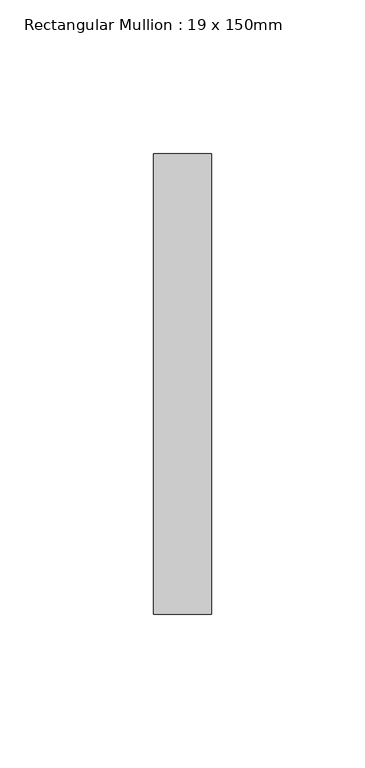
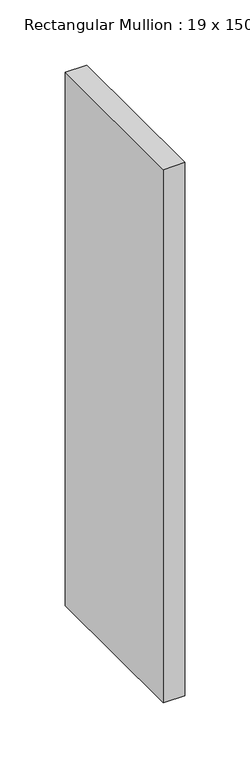
"""IFC4 building model written with IfcOpenShell, lengths in millimetres: member geometry, Rectangular Mullion : 19 x 150mm."""

from ifc_helpers import new_model, si_unit, frame, origin, place, context, project, spatial, polyline, outline, extrude, source, transform, mapped, element, save


def rectangular_mullion_19_x_150mm_0a15daad(model_context):
    return source(origin(), model_context, "Body", "SweptSolid", [
        extrude(outline(polyline([(9.5, -25.0), (9.5, -175.0), (-9.5, -175.0), (-9.5, -25.0), (9.5, -25.0)])), frame((0.0, 0.0, -498.9999673), z_axis=(0.0, 0.0, 1.0), x_axis=(1.0, 0.0, 0.0)), (0.0, 0.0, 1.0), 498.9999673),
    ])


if __name__ == "__main__":
    model = new_model("IFC4")
    model_context = context("Model", 3, world=origin())
    ifc_project = project(units=[si_unit("LENGTHUNIT", "METRE", prefix="MILLI")], contexts=[model_context])
    site = spatial("IfcSite", under=ifc_project)
    building = spatial("IfcBuilding", under=site)
    placement = place(None, origin())
    rectangular_mullion_19_x_150mm_shape = rectangular_mullion_19_x_150mm_0a15daad(model_context)
    element("IfcMember", 1, ObjectType="Rectangular Mullion : 19 x 150mm", at=placement, inside=building, context=model_context, shape_type="MappedRepresentation", body=[
        mapped(rectangular_mullion_19_x_150mm_shape, transform((0.0, 0.0, 0.0), x_axis=(1.0, 0.0, 0.0), y_axis=(0.0, 1.0, 0.0), z_axis=(0.0, 0.0, 1.0))),
    ])
    save(model, "model.ifc")
